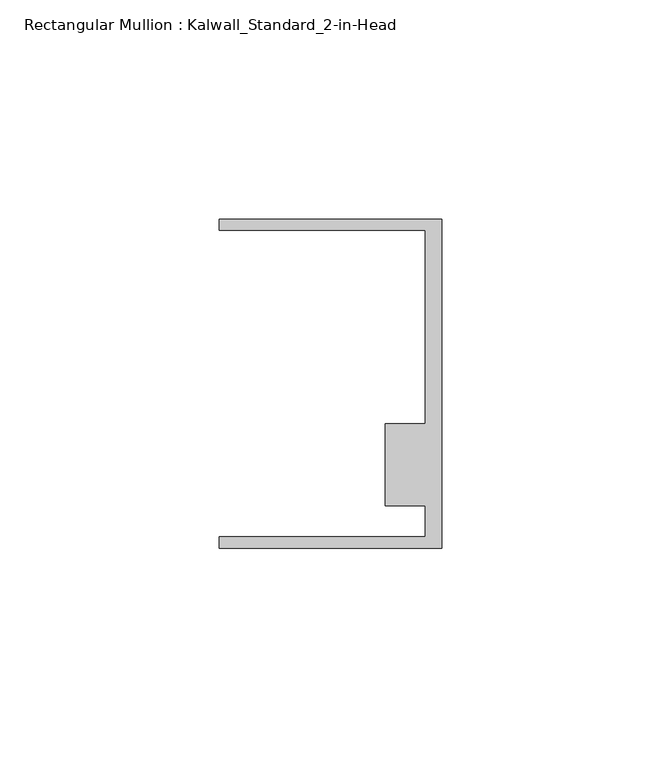
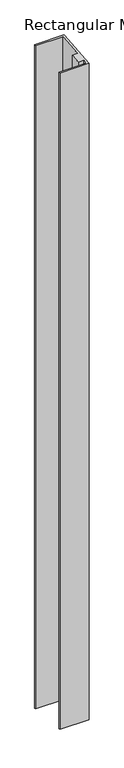
"""IFC4 building model written with IfcOpenShell, lengths in millimetres: member geometry, Rectangular Mullion : Kalwall_Standard_2-in-Head."""

import ifcopenshell
import ifcopenshell.guid

model = None  # the IFC model being written
_history = None  # IfcOwnerHistory: only IFC2X3 demands one
_inside = {}  # id of a spatial element -> (the spatial element, [elements in it])
_under = {}  # id of a project, library or spatial element -> (it, [spatial elements below it])
_declared = {}  # id of a project -> (the project, [libraries it declares])
_typed = {}  # id of a type object -> (the type object, [elements of that type])
_made_of = {}  # id of a material, layer set ... -> (it, [elements and type objects made of it])


def new_model(schema):
    """Start an empty IFC model of exactly this schema.

    Asked for "IFC4X3", IfcOpenShell would pick the latest addendum, in which some entities
    have other attributes; the version numbers below select the first issue.
    IFC2X3 requires an IfcOwnerHistory on every rooted entity: one is made here for all.
    """
    global model, _history
    if schema == "IFC4X3":
        model = ifcopenshell.file(schema_version=(4, 3, 0, 0))
    else:
        model = ifcopenshell.file(schema=schema)
    _inside.clear()
    _under.clear()
    _declared.clear()
    _typed.clear()
    _made_of.clear()
    _history = None
    if model.schema == "IFC2X3":
        org = make("IfcOrganization", Name="unknown")
        user = make(
            "IfcPersonAndOrganization",
            ThePerson=make("IfcPerson", FamilyName="unknown"),
            TheOrganization=org,
        )
        app = make(
            "IfcApplication",
            ApplicationDeveloper=org,
            Version="unknown",
            ApplicationFullName="unknown",
            ApplicationIdentifier="unknown",
        )
        _history = make(
            "IfcOwnerHistory",
            OwningUser=user,
            OwningApplication=app,
            ChangeAction="ADDED",
            CreationDate=0,
        )
    return model


def make(cls, **values):
    """One entity of the class cls with the attributes given. An attribute that is None is left unset."""
    return model.create_entity(
        cls, **{name: value for name, value in values.items() if value is not None}
    )


def rooted(cls, **values):
    """An entity with a GlobalId (a new one), such as an element, a storey or a relation."""
    return make(cls, GlobalId=ifcopenshell.guid.new(), OwnerHistory=_history, **values)


def si_unit(unit_type, name, prefix=None):
    """IfcSIUnit, for example si_unit("LENGTHUNIT", "METRE", prefix="MILLI")."""
    return make("IfcSIUnit", UnitType=unit_type, Prefix=prefix, Name=name)


def assignment(units):
    """IfcUnitAssignment: the units of a project."""
    return None if units is None else make("IfcUnitAssignment", Units=units)


def point(xyz):
    """IfcCartesianPoint."""
    return None if xyz is None else make("IfcCartesianPoint", Coordinates=xyz)


def direction(xyz):
    """IfcDirection."""
    return None if xyz is None else make("IfcDirection", DirectionRatios=xyz)


def frame(location, z_axis=None, x_axis=None):
    """IfcAxis2Placement3D, a coordinate frame: its origin and axes. An axis left out is left unset."""
    return make(
        "IfcAxis2Placement3D",
        Location=point(location),
        Axis=direction(z_axis),
        RefDirection=direction(x_axis),
    )


def origin():
    """The frame at (0, 0, 0) with its axes left unset."""
    return frame((0.0, 0.0, 0.0))


def place(relative_to, where):
    """IfcLocalPlacement: puts the frame where relative to a parent placement (None: the world)."""
    return make(
        "IfcLocalPlacement", PlacementRelTo=relative_to, RelativePlacement=where
    )


def context(
    kind, dimensions, precision=None, world=None, true_north=None, identifier=None
):
    """IfcGeometricRepresentationContext, for example the 3D "Model" context."""
    return make(
        "IfcGeometricRepresentationContext",
        ContextIdentifier=identifier,
        ContextType=kind,
        CoordinateSpaceDimension=dimensions,
        Precision=precision,
        WorldCoordinateSystem=world,
        TrueNorth=true_north,
    )


def project(units=None, contexts=None):
    """IfcProject with its units and contexts."""
    return rooted(
        "IfcProject",
        Name="project",
        RepresentationContexts=contexts,
        UnitsInContext=assignment(units),
    )


def spatial(cls, under=None, at=None, **own):
    """A site, building, storey or space (cls), placed at a placement, below another one or the project."""
    s = rooted(cls, ObjectPlacement=at, **own)
    if under is not None:
        _under.setdefault(under.id(), (under, []))[1].append(s)
    return s


def faces_of(points, faces, orient=None, outer=None):
    """IfcFace entities. A face is a list of loops; a loop is a list of indices into points, from 0.

    orient and outer hold one flag for each loop. By default every Orientation is true, the
    first loop of a face is its IfcFaceOuterBound and the others are IfcFaceBound.
    """
    made = []
    for i, loops in enumerate(faces):
        bounds = []
        for j, loop in enumerate(loops):
            is_outer = j == 0 if outer is None else outer[i][j]
            bounds.append(
                make(
                    "IfcFaceOuterBound" if is_outer else "IfcFaceBound",
                    Bound=make("IfcPolyLoop", Polygon=[points[k] for k in loop]),
                    Orientation=True if orient is None else orient[i][j],
                )
            )
        made.append(make("IfcFace", Bounds=bounds))
    return made


def faceted_brep(points, faces, orient=None, outer=None, voids=None):
    """IfcFacetedBrep: a solid bounded by flat faces; with voids (closed shells), ...WithVoids."""
    shared = [point(p) for p in points]
    hull = make("IfcClosedShell", CfsFaces=faces_of(shared, faces, orient, outer))
    if voids is None:
        return make("IfcFacetedBrep", Outer=hull)
    return make(
        "IfcFacetedBrepWithVoids",
        Outer=hull,
        Voids=[
            make(cls, CfsFaces=faces_of(shared, fs, o, b)) for cls, fs, o, b in voids
        ],
    )


def shape(context_of_items, identifier, shape_type, items):
    """IfcShapeRepresentation: the items that make up one representation, for example the "Body"."""
    return make(
        "IfcShapeRepresentation",
        ContextOfItems=context_of_items,
        RepresentationIdentifier=identifier,
        RepresentationType=shape_type,
        Items=items,
    )


def source(mapping_origin, context_of_items, identifier, shape_type, items):
    """IfcRepresentationMap: a shape defined once, which mapped items show again and again."""
    return make(
        "IfcRepresentationMap",
        MappingOrigin=mapping_origin,
        MappedRepresentation=shape(context_of_items, identifier, shape_type, items),
    )


def transform(
    local_origin,
    x_axis=None,
    y_axis=None,
    z_axis=None,
    scale=None,
    scale2=None,
    scale3=None,
    uniform=True,
):
    """IfcCartesianTransformationOperator3D, or its non-uniform kind. x_axis, y_axis, z_axis: its Axis1, 2, 3."""
    if uniform:
        return make(
            "IfcCartesianTransformationOperator3D",
            Axis1=direction(x_axis),
            Axis2=direction(y_axis),
            LocalOrigin=point(local_origin),
            Scale=scale,
            Axis3=direction(z_axis),
        )
    return make(
        "IfcCartesianTransformationOperator3DnonUniform",
        Axis1=direction(x_axis),
        Axis2=direction(y_axis),
        LocalOrigin=point(local_origin),
        Scale=scale,
        Axis3=direction(z_axis),
        Scale2=scale2,
        Scale3=scale3,
    )


def mapped(mapping_source, mapping_target):
    """IfcMappedItem: shows the shape of a source again, moved by a transform."""
    return make(
        "IfcMappedItem", MappingSource=mapping_source, MappingTarget=mapping_target
    )


def made_of(thing, what):
    """Note that an element or type object is made of a material, layer set ...; save() writes the relation."""
    if what is not None:
        _made_of.setdefault(what.id(), (what, []))[1].append(thing)
    return thing


def element(
    cls,
    number,
    at=None,
    inside=None,
    cuts=None,
    type_object=None,
    material=None,
    context=None,
    identifier="Body",
    shape_type=None,
    held_by="IfcProductDefinitionShape",
    body=None,
    shapes=None,
    **own,
):
    """One element of the class cls, such as IfcWall. Its Tag is "e" and its number.

    at: its placement. inside: the storey or other place that contains it. cuts: it is an
    opening in that element (IfcRelVoidsElement). A single representation is given by context,
    identifier, shape_type and body (its items); several are given by shapes. held_by: the class
    of the entity that holds the representations. save() writes the other relations.
    """
    e = rooted(cls, Tag="e%d" % number, ObjectPlacement=at, **own)
    if body is not None:
        shapes = [shape(context, identifier, shape_type, body)]
    if shapes is not None:
        e.Representation = make(held_by, Representations=shapes)
    if inside is not None:
        _inside.setdefault(inside.id(), (inside, []))[1].append(e)
    if cuts is not None:
        rooted(
            "IfcRelVoidsElement", RelatingBuildingElement=cuts, RelatedOpeningElement=e
        )
    if type_object is not None:
        _typed.setdefault(type_object.id(), (type_object, []))[1].append(e)
    return made_of(e, material)


def aggregate(whole, parts):
    """IfcRelAggregates: a whole, such as a stair, and the parts it consists of."""
    return rooted("IfcRelAggregates", RelatingObject=whole, RelatedObjects=parts)


def save(model, path):
    """Write the relations noted so far, then the file.

    IfcRelAggregates (storeys below a building ...), IfcRelContainedInSpatialStructure (elements
    in a storey), IfcRelDefinesByType, IfcRelAssociatesMaterial and IfcRelDeclares: one each for
    every whole, place, type object, material and project.
    """
    for whole, parts in _under.values():
        aggregate(whole, parts)
    for where, things in _inside.values():
        rooted(
            "IfcRelContainedInSpatialStructure",
            RelatedElements=things,
            RelatingStructure=where,
        )
    for kind, things in _typed.values():
        rooted("IfcRelDefinesByType", RelatedObjects=things, RelatingType=kind)
    for what, things in _made_of.values():
        rooted("IfcRelAssociatesMaterial", RelatedObjects=things, RelatingMaterial=what)
    for by, libraries in _declared.values():
        rooted("IfcRelDeclares", RelatingContext=by, RelatedDefinitions=libraries)
    model.write(path)


def rectangular_mullion_kalwall_standard_2_in_head_dac45e19(model_context):
    return source(origin(), model_context, "Body", "Brep", [
        faceted_brep([(0.0, 37.5023614, 3.2973479), (0.0, -37.5776386, -3.3039666), (0.0, -37.5776386, -1201.4462889), (0.0, 37.5023614, -1208.1025541), (-50.8, 37.5023614, 3.2973479), (-50.8, 37.5023614, -1208.1025541), (-50.8, 34.9623614, 3.0740216), (-50.8, 34.9623614, -1207.8773687), (-3.7084, 34.9623614, 3.0740216), (-3.7084, 34.9623614, -1207.8773687), (-3.7084, -9.1879886, -0.8078423), (-3.7084, -9.1879886, -1203.9631914), (-12.8272539, -9.1879886, -0.8078423), (-12.8272539, -9.1879886, -1203.9631914), (-12.8272539, -27.8888568, -2.4520926), (-12.8272539, -27.8888568, -1202.305254), (-3.7084, -27.8888568, -2.4520926), (-3.7084, -27.8888568, -1202.305254), (-3.7084, -35.0376386, -3.0806403), (-3.7084, -35.0376386, -1201.6714742), (-50.8, -35.0376386, -3.0806403), (-50.8, -35.0376386, -1201.6714742), (-50.8, -37.5776386, -3.3039666), (-50.8, -37.5776386, -1201.4462889)], [[[0, 1, 2, 3]], [[4, 0, 3, 5]], [[6, 4, 5, 7]], [[8, 6, 7, 9]], [[10, 8, 9, 11]], [[12, 10, 11, 13]], [[14, 12, 13, 15]], [[16, 14, 15, 17]], [[18, 16, 17, 19]], [[20, 18, 19, 21]], [[22, 20, 21, 23]], [[1, 22, 23, 2]], [[1, 0, 4, 6, 8, 10, 12, 14, 16, 18, 20, 22]], [[2, 23, 21, 19, 17, 15, 13, 11, 9, 7, 5, 3]]]),
    ])


if __name__ == "__main__":
    model = new_model("IFC4")
    model_context = context("Model", 3, world=origin())
    ifc_project = project(units=[si_unit("LENGTHUNIT", "METRE", prefix="MILLI")], contexts=[model_context])
    site = spatial("IfcSite", under=ifc_project)
    building = spatial("IfcBuilding", under=site)
    placement = place(None, origin())
    rectangular_mullion_kalwall_standard_2_in_head_shape = rectangular_mullion_kalwall_standard_2_in_head_dac45e19(model_context)
    element("IfcMember", 1, ObjectType="Rectangular Mullion : Kalwall_Standard_2-in-Head", at=placement, inside=building, context=model_context, shape_type="MappedRepresentation", body=[
        mapped(rectangular_mullion_kalwall_standard_2_in_head_shape, transform((0.0, 0.0, 0.0), x_axis=(1.0, 0.0, 0.0), y_axis=(0.0, 1.0, 0.0), z_axis=(0.0, 0.0, 1.0))),
    ])
    save(model, "model.ifc")
